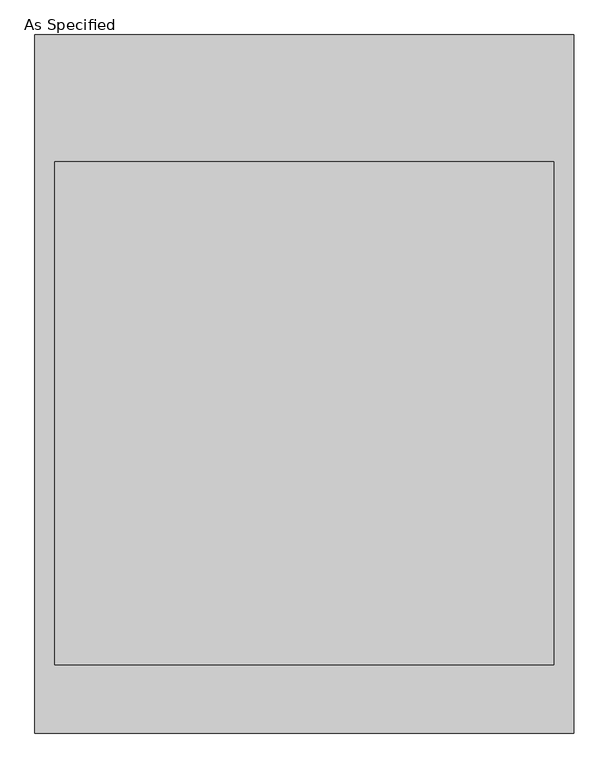
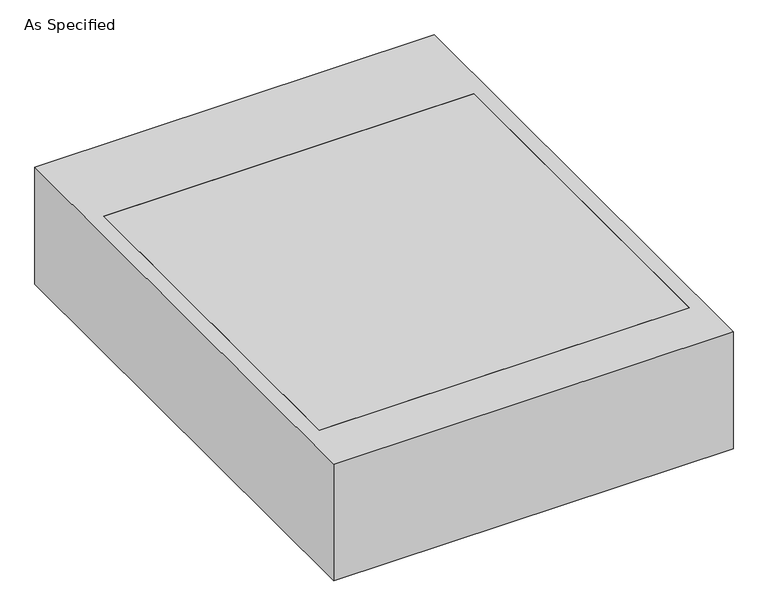
"""IFC4 building model written with IfcOpenShell, lengths in millimetres: proxy geometry, As Specified."""

from ifc_helpers import new_model, si_unit, frame, origin, place, context, project, spatial, polyline, outline, extrude, source, transform, mapped, element, save


def as_specified_b7dd7e4c(model_context):
    return source(origin(), model_context, "Body", "SweptSolid", [
        extrude(outline(polyline([(-815.975, -1057.275), (-815.975, 1057.275), (815.975, 1057.275), (815.975, -1057.275), (-815.975, -1057.275)]), holes=[polyline([(755.65, 673.1), (-755.65, 673.1), (-755.65, -850.9), (755.65, -850.9), (755.65, 673.1)])]), frame((0.0, 0.0, -530.225), z_axis=(0.0, 0.0, 1.0), x_axis=(1.0, 0.0, 0.0)), (0.0, 0.0, 1.0), 504.825),
        extrude(outline(polyline([(755.65, 673.1), (755.65, -850.9), (-755.65, -850.9), (-755.65, 673.1), (755.65, 673.1)])), frame((0.0, 0.0, -530.225), z_axis=(0.0, 0.0, 1.0), x_axis=(1.0, 0.0, 0.0)), (0.0, 0.0, 1.0), 504.825),
    ])


if __name__ == "__main__":
    model = new_model("IFC4")
    model_context = context("Model", 3, world=origin())
    ifc_project = project(units=[si_unit("LENGTHUNIT", "METRE", prefix="MILLI")], contexts=[model_context])
    site = spatial("IfcSite", under=ifc_project)
    building = spatial("IfcBuilding", under=site)
    placement = place(None, origin())
    as_specified_shape = as_specified_b7dd7e4c(model_context)
    element("IfcBuildingElementProxy", 1, Name="As Specified", ObjectType="As Specified", at=placement, inside=building, context=model_context, shape_type="MappedRepresentation", body=[
        mapped(as_specified_shape, transform((0.0, 0.0, 0.0), x_axis=(1.0, 0.0, 0.0), y_axis=(0.0, 1.0, 0.0), z_axis=(0.0, 0.0, 1.0))),
    ])
    save(model, "model.ifc")
